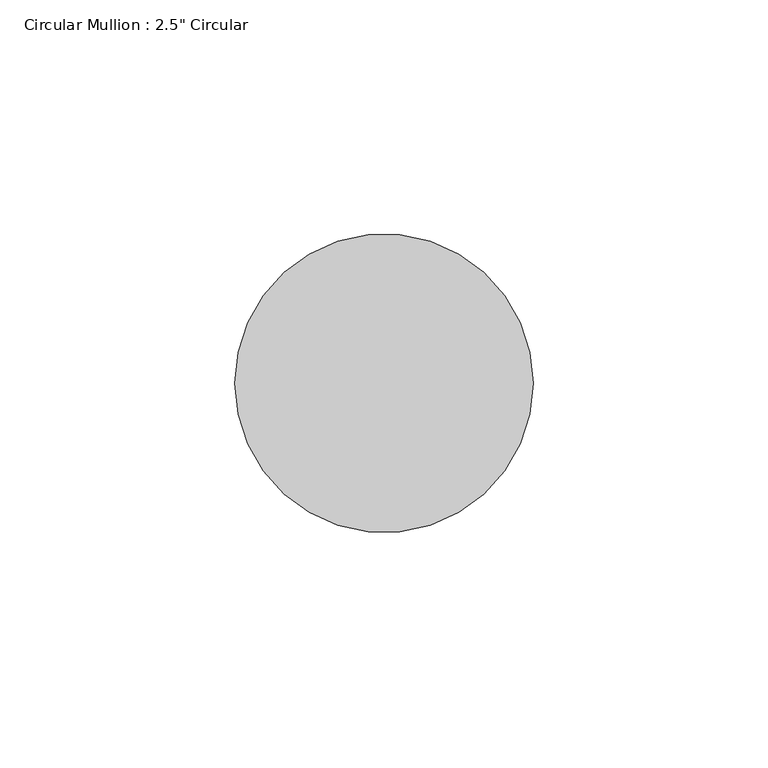
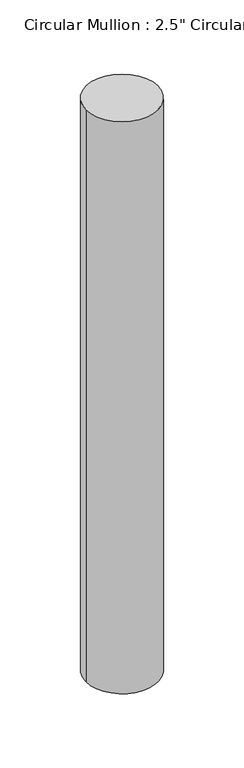
"""IFC4 building model written with IfcOpenShell, lengths in millimetres: member geometry."""

from ifc_helpers import new_model, si_unit, point, frame, origin, origin_2d, place, context, project, spatial, circle_curve, trimmed, segment, composite_curve, outline, extrude, source, transform, mapped, element, save


def member_2ec4f8dd(model_context):
    return source(origin(), model_context, "Body", "SweptSolid", [
        extrude(outline(composite_curve([segment(trimmed(circle_curve(origin_2d(), 31.75), [point((31.75, 0.0))], [point((-31.75, 0.0))], False, "CARTESIAN"), True, "CONTINUOUS"), segment(trimmed(circle_curve(origin_2d(), 31.75), [point((-31.75, 0.0))], [point((31.75, 0.0))], False, "CARTESIAN"), True, "CONTINUOUS")], self_intersect=False)), frame((0.0, 0.0, -533.4), z_axis=(0.0, 0.0, 1.0), x_axis=(1.0, 0.0, 0.0)), (0.0, 0.0, 1.0), 533.4),
    ])


if __name__ == "__main__":
    model = new_model("IFC4")
    model_context = context("Model", 3, world=origin())
    ifc_project = project(units=[si_unit("LENGTHUNIT", "METRE", prefix="MILLI")], contexts=[model_context])
    site = spatial("IfcSite", under=ifc_project)
    building = spatial("IfcBuilding", under=site)
    placement = place(None, origin())
    member_shape = member_2ec4f8dd(model_context)
    element("IfcMember", 1, ObjectType="Circular Mullion : 2.5\" Circular", at=placement, inside=building, context=model_context, shape_type="MappedRepresentation", body=[
        mapped(member_shape, transform((0.0, 0.0, 0.0), x_axis=(1.0, 0.0, 0.0), y_axis=(0.0, 1.0, 0.0), z_axis=(0.0, 0.0, 1.0))),
    ])
    save(model, "model.ifc")
